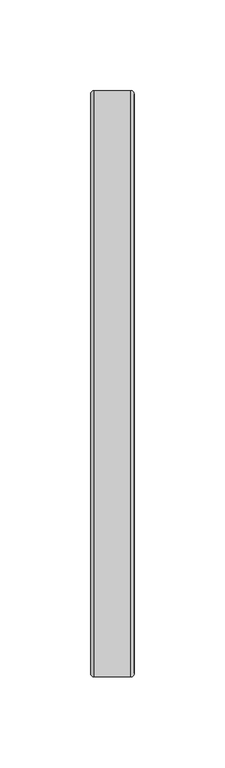
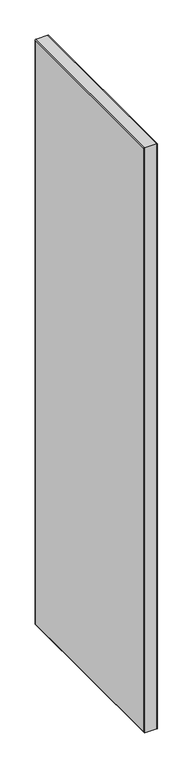
"""IFC4 building model written with IfcOpenShell, lengths in millimetres: furniture geometry."""

from ifc_helpers import new_model, si_unit, frame, origin, place, context, project, spatial, polyline, ellipse_curve, outline, extrude, source, transform, mapped, element, save
from ifc_brep_helpers import plane_surface, cylinder_surface, advanced_brep


def furniture_6334d35e(model_context):
    return source(origin(), model_context, "Body", "SolidModel", [
        extrude(outline(polyline([(0.0254, -247.1166), (0.0254, 71.9582), (24.0253997, 71.9582), (24.0253997, -247.1166), (0.0254, -247.1166)])), frame((0.0, 0.0, 1.9812), z_axis=(0.0, 0.0, 1.0), x_axis=(1.0, 0.0, 0.0)), (0.0, 0.0, 1.0), 1050.8234),
        advanced_brep(
        [(24.0253997, -247.1166, 1052.8046), (22.0187997, -249.1232, 1054.8112), (22.0187997, -249.1232, -0.0254), (24.0253997, -247.1166, 1.9812), (2.032, -249.1232, 1054.8112), (2.032, -249.1232, -0.0254), (0.0254, -247.1166, 1052.8046), (0.0254, -247.1166, 1.9812), (22.0187997, 73.9648, -0.0254), (24.0253997, 71.9582, 1.9812), (2.032, 73.9648, -0.0254), (0.0254, 71.9582, 1.9812), (22.0187997, 73.9648, 1054.8112), (24.0253997, 71.9582, 1052.8046), (2.032, 73.9648, 1054.8112), (0.0254, 71.9582, 1052.8046)],
        [
            (0, 1, ellipse_curve(frame((22.0187997, -247.1166, 1052.8046), z_axis=(0.0, -0.7071067811865475, -0.7071067811865475), x_axis=(0.0, -0.7071067811865474, 0.7071067811865476)), 2.8377609, 2.0066)),
            (1, 2),
            (2, 3, ellipse_curve(frame((22.0187997, -247.1166, 1.9812), z_axis=(0.0, -0.7071067811865475, 0.7071067811865475), x_axis=(0.0, 0.7071067811865474, 0.7071067811865476)), 2.8377609, 2.0066)),
            (3, 0),
            (1, 4),
            (4, 5),
            (5, 2),
            (4, 6, ellipse_curve(frame((2.032, -247.1166, 1052.8046), z_axis=(0.0, -0.7071067811865475, -0.7071067811865475), x_axis=(0.0, -0.7071067811865474, 0.7071067811865476)), 2.8377609, 2.0066)),
            (6, 7),
            (7, 5, ellipse_curve(frame((2.032, -247.1166, 1.9812), z_axis=(0.0, -0.7071067811865475, 0.7071067811865475), x_axis=(0.0, 0.7071067811865474, 0.7071067811865476)), 2.8377609, 2.0066)),
            (6, 0),
            (3, 7),
            (2, 8),
            (8, 9, ellipse_curve(frame((22.0187997, 71.9582, 1.9812), z_axis=(0.0, -0.7071067811865475, -0.7071067811865475), x_axis=(0.0, -0.7071067811865476, 0.7071067811865474)), 2.8377609, 2.0066)),
            (9, 3),
            (5, 10),
            (10, 8),
            (7, 11),
            (11, 10, ellipse_curve(frame((2.032, 71.9582, 1.9812), z_axis=(0.0, -0.7071067811865475, -0.7071067811865475), x_axis=(0.0, -0.7071067811865476, 0.7071067811865474)), 2.8377609, 2.0066)),
            (9, 11),
            (8, 12),
            (12, 13, ellipse_curve(frame((22.0187997, 71.9582, 1052.8046), z_axis=(0.0, 0.7071067811865475, -0.7071067811865475), x_axis=(0.0, -0.7071067811865474, -0.7071067811865476)), 2.8377609, 2.0066)),
            (13, 9),
            (10, 14),
            (14, 12),
            (11, 15),
            (15, 14, ellipse_curve(frame((2.032, 71.9582, 1052.8046), z_axis=(0.0, 0.7071067811865475, -0.7071067811865475), x_axis=(0.0, -0.7071067811865474, -0.7071067811865476)), 2.8377609, 2.0066)),
            (13, 15),
            (12, 1),
            (0, 13),
            (14, 4),
            (15, 6),
        ],
        [
            cylinder_surface(frame((22.0187997, -247.1166, 1052.8046), z_axis=(0.0, 0.0, 1.0), x_axis=(0.0, -1.0, 0.0)), 2.0066),
            plane_surface(frame((2.032, -249.1232, 1054.8112), z_axis=(0.0, -1.0, 0.0), x_axis=(0.0, 0.0, -1.0))),
            cylinder_surface(frame((2.032, -247.1166, 1052.8046), z_axis=(0.0, 0.0, 1.0), x_axis=(0.0, -1.0, 0.0)), 2.0066),
            plane_surface(frame((24.0253997, -247.1166, 1052.8046), z_axis=(0.0, 1.0, 0.0), x_axis=(0.0, 0.0, -1.0))),
            cylinder_surface(frame((22.0187997, -247.1166, 1.9812), z_axis=(0.0, -1.0, 0.0), x_axis=(0.0, 0.0, -1.0)), 2.0066),
            plane_surface(frame((2.032, -249.1232, -0.0254), z_axis=(0.0, 0.0, -1.0), x_axis=(0.0, 1.0, 0.0))),
            cylinder_surface(frame((2.032, -247.1166, 1.9812), z_axis=(0.0, -1.0, 0.0), x_axis=(0.0, 0.0, -1.0)), 2.0066),
            plane_surface(frame((24.0253997, -247.1166, 1.9812), z_axis=(0.0, 0.0, 1.0), x_axis=(0.0, 1.0, 0.0))),
            cylinder_surface(frame((22.0187997, 71.9582, 1.9812), z_axis=(0.0, 0.0, -1.0), x_axis=(0.0, 1.0, 0.0)), 2.0066),
            plane_surface(frame((2.032, 73.9648, -0.0254), z_axis=(0.0, 1.0, 0.0), x_axis=(0.0, 0.0, 1.0))),
            cylinder_surface(frame((2.032, 71.9582, 1.9812), z_axis=(0.0, 0.0, -1.0), x_axis=(0.0, 1.0, 0.0)), 2.0066),
            plane_surface(frame((24.0253997, 71.9582, 1.9812), z_axis=(0.0, -1.0, 0.0), x_axis=(0.0, 0.0, 1.0))),
            cylinder_surface(frame((22.0187997, 71.9582, 1052.8046), z_axis=(0.0, 1.0, 0.0), x_axis=(0.0, 0.0, 1.0)), 2.0066),
            plane_surface(frame((2.032, 73.9648, 1054.8112), z_axis=(0.0, 0.0, 1.0), x_axis=(0.0, -1.0, 0.0))),
            cylinder_surface(frame((2.032, 71.9582, 1052.8046), z_axis=(0.0, 1.0, 0.0), x_axis=(0.0, 0.0, 1.0)), 2.0066),
            plane_surface(frame((24.0253997, 71.9582, 1052.8046), z_axis=(0.0, 0.0, -1.0), x_axis=(0.0, -1.0, 0.0))),
        ],
        [
            (0, [[1, 2, 3, 4]]),
            (1, [[5, 6, 7, -2]]),
            (2, [[8, 9, 10, -6]]),
            (3, [[11, -4, 12, -9]]),
            (4, [[-3, 13, 14, 15]]),
            (5, [[-7, 16, 17, -13]]),
            (6, [[-10, 18, 19, -16]]),
            (7, [[-12, -15, 20, -18]]),
            (8, [[-14, 21, 22, 23]]),
            (9, [[-17, 24, 25, -21]]),
            (10, [[-19, 26, 27, -24]]),
            (11, [[-20, -23, 28, -26]]),
            (12, [[-22, 29, -1, 30]]),
            (13, [[-25, 31, -5, -29]]),
            (14, [[-27, 32, -8, -31]]),
            (15, [[-28, -30, -11, -32]]),
        ],
    ),
    ])


if __name__ == "__main__":
    model = new_model("IFC4")
    model_context = context("Model", 3, world=origin())
    ifc_project = project(units=[si_unit("LENGTHUNIT", "METRE", prefix="MILLI")], contexts=[model_context])
    site = spatial("IfcSite", under=ifc_project)
    building = spatial("IfcBuilding", under=site)
    placement = place(None, origin())
    furniture_shape = furniture_6334d35e(model_context)
    element("IfcFurniture", 1, at=placement, inside=building, context=model_context, shape_type="MappedRepresentation", body=[
        mapped(furniture_shape, transform((0.0, 0.0, 0.0), x_axis=(1.0, 0.0, 0.0), y_axis=(0.0, 1.0, 0.0), z_axis=(0.0, 0.0, 1.0))),
    ])
    save(model, "model.ifc")
